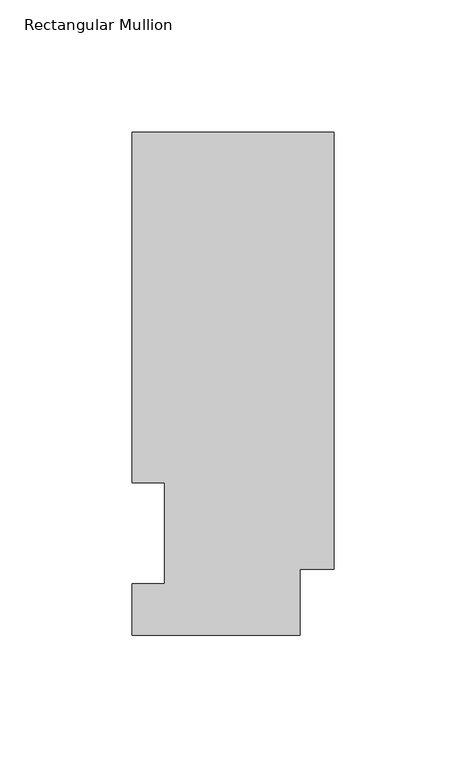
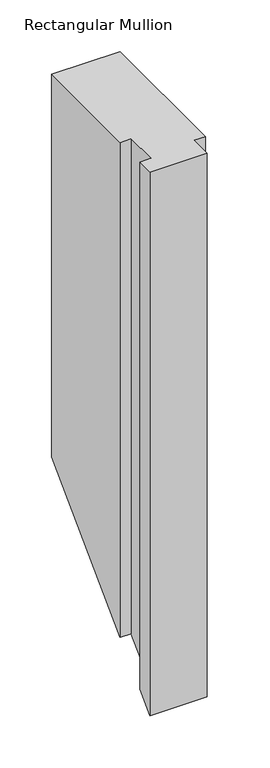
"""IFC4 building model written with IfcOpenShell, lengths in millimetres: member geometry, Rectangular Mullion."""

from ifc_helpers import new_model, si_unit, origin, place, context, project, spatial, faceted_brep, source, transform, mapped, element, save


def rectangular_mullion_980467a3(model_context):
    return source(origin(), model_context, "Body", "Brep", [
        faceted_brep([(-76.2, 190.0816937, 0.0), (-76.2, 57.6460938, 0.0), (-63.8581605, 57.6460937, 0.0), (-63.8581605, 19.5460937, 0.0), (-76.2, 19.5460937, 0.0), (-76.2, 0.0134937, 0.0), (-12.7, 0.0134937, 0.0), (-12.7, 25.0832937, 0.0), (0.0, 25.0832937, 0.0), (0.0, 190.0816937, 0.0), (-76.2, 190.0816937, -451.2683063), (-76.2, 57.6460937, -583.7039063), (-63.8581605, 57.6460937, -583.7039063), (-63.8581605, 19.5460937, -621.8039063), (-76.2, 19.5460937, -621.8039063), (-76.2, 0.0134937, -641.3365063), (-12.7, 0.0134937, -641.3365063), (-12.7, 25.0832937, -616.2667063), (0.0, 25.0832937, -616.2667063), (0.0, 190.0816937, -451.2683063)], [[[0, 1, 2, 3, 4, 5, 6, 7, 8, 9]], [[1, 0, 10, 11]], [[2, 1, 11, 12]], [[3, 2, 12, 13]], [[4, 3, 13, 14]], [[5, 4, 14, 15]], [[6, 5, 15, 16]], [[7, 6, 16, 17]], [[8, 7, 17, 18]], [[9, 8, 18, 19]], [[0, 9, 19, 10]], [[10, 19, 18, 17, 16, 15, 14, 13, 12, 11]]]),
    ])


if __name__ == "__main__":
    model = new_model("IFC4")
    model_context = context("Model", 3, world=origin())
    ifc_project = project(units=[si_unit("LENGTHUNIT", "METRE", prefix="MILLI")], contexts=[model_context])
    site = spatial("IfcSite", under=ifc_project)
    building = spatial("IfcBuilding", under=site)
    placement = place(None, origin())
    rectangular_mullion_shape = rectangular_mullion_980467a3(model_context)
    element("IfcMember", 1, ObjectType="Rectangular Mullion", at=placement, inside=building, context=model_context, shape_type="MappedRepresentation", body=[
        mapped(rectangular_mullion_shape, transform((0.0, 0.0, 0.0), x_axis=(1.0, 0.0, 0.0), y_axis=(0.0, 1.0, 0.0), z_axis=(0.0, 0.0, 1.0))),
    ])
    save(model, "model.ifc")
